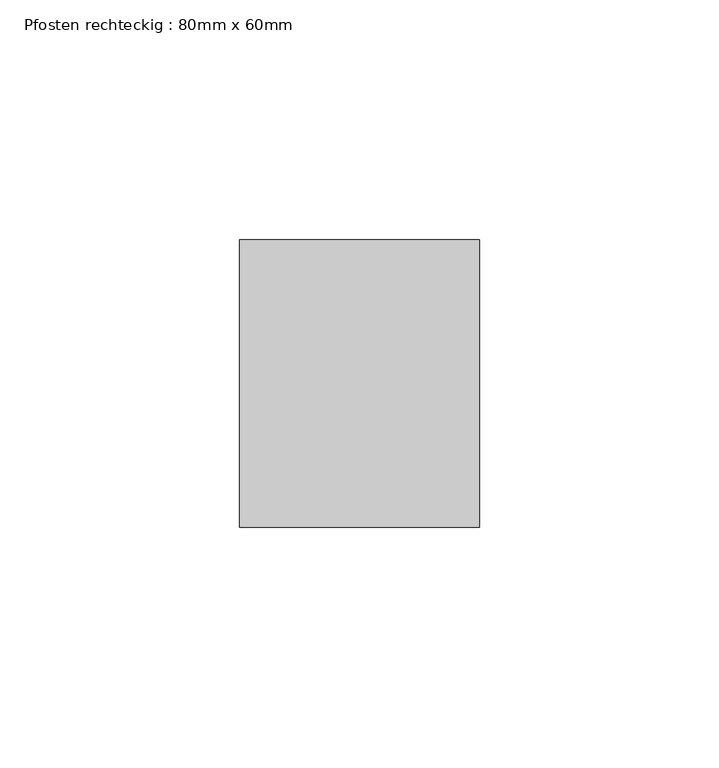
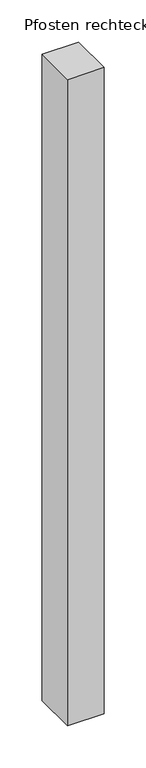
"""IFC4 building model written with IfcOpenShell, lengths in millimetres: member geometry, Pfosten rechteckig : 80mm x 60mm."""

from ifc_helpers import new_model, si_unit, frame, origin, place, context, project, spatial, polyline, outline, extrude, source, transform, mapped, element, save


def pfosten_rechteckig_80mm_x_60mm_f84dbabd(model_context):
    return source(origin(), model_context, "Body", "SweptSolid", [
        extrude(outline(polyline([(25.0, 30.0), (25.0, -30.0), (-25.0, -30.0), (-25.0, 30.0), (25.0, 30.0)])), frame((0.0, 0.0, -933.3333333), z_axis=(0.0, 0.0, 1.0), x_axis=(1.0, 0.0, 0.0)), (0.0, 0.0, 1.0), 933.3333333),
    ])


if __name__ == "__main__":
    model = new_model("IFC4")
    model_context = context("Model", 3, world=origin())
    ifc_project = project(units=[si_unit("LENGTHUNIT", "METRE", prefix="MILLI")], contexts=[model_context])
    site = spatial("IfcSite", under=ifc_project)
    building = spatial("IfcBuilding", under=site)
    placement = place(None, origin())
    pfosten_rechteckig_80mm_x_60mm_shape = pfosten_rechteckig_80mm_x_60mm_f84dbabd(model_context)
    element("IfcMember", 1, ObjectType="Pfosten rechteckig : 80mm x 60mm", at=placement, inside=building, context=model_context, shape_type="MappedRepresentation", body=[
        mapped(pfosten_rechteckig_80mm_x_60mm_shape, transform((0.0, 0.0, 0.0), x_axis=(1.0, 0.0, 0.0), y_axis=(0.0, 1.0, 0.0), z_axis=(0.0, 0.0, 1.0))),
    ])
    save(model, "model.ifc")
